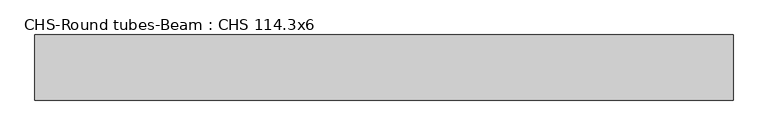
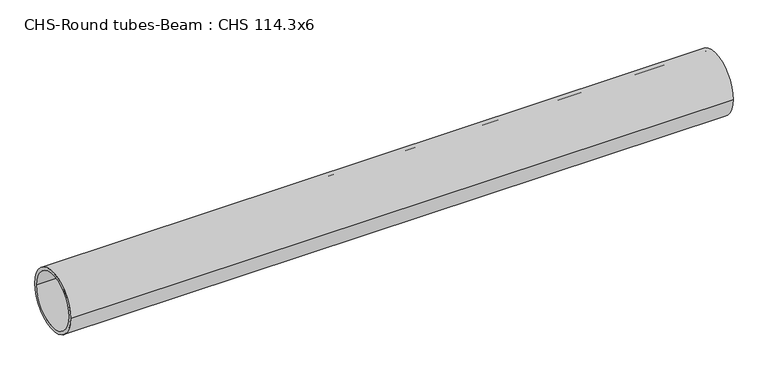
"""IFC4 building model written with IfcOpenShell, lengths in millimetres: beam geometry, CHS-Round tubes-Beam : CHS 114.3x6."""

from ifc_helpers import new_model, si_unit, point, frame, origin, origin_2d, place, context, project, spatial, circle_curve, trimmed, segment, composite_curve, outline, extrude, source, transform, mapped, element, save


def chs_round_tubes_beam_chs_114_3x6_2c5ce47b(model_context):
    return source(origin(), model_context, "Body", "SweptSolid", [
        extrude(outline(composite_curve([segment(trimmed(circle_curve(origin_2d(), 57.15), [point((57.15, 0.0))], [point((-57.15, 0.0))], False, "CARTESIAN"), True, "CONTINUOUS"), segment(trimmed(circle_curve(origin_2d(), 57.15), [point((-57.15, 0.0))], [point((57.15, 0.0))], False, "CARTESIAN"), True, "CONTINUOUS")], self_intersect=False), holes=[composite_curve([segment(trimmed(circle_curve(origin_2d(), 51.15), [point((51.15, 0.0))], [point((-51.15, 0.0))], True, "CARTESIAN"), True, "CONTINUOUS"), segment(trimmed(circle_curve(origin_2d(), 51.15), [point((-51.15, 0.0))], [point((51.15, 0.0))], True, "CARTESIAN"), True, "CONTINUOUS")], self_intersect=False)]), frame((-610.9730532, 0.0, 0.0), z_axis=(1.0, 0.0, 0.0), x_axis=(0.0, 1.0, 0.0)), (0.0, 0.0, 1.0), 1224.9824018),
    ])


if __name__ == "__main__":
    model = new_model("IFC4")
    model_context = context("Model", 3, world=origin())
    ifc_project = project(units=[si_unit("LENGTHUNIT", "METRE", prefix="MILLI")], contexts=[model_context])
    site = spatial("IfcSite", under=ifc_project)
    building = spatial("IfcBuilding", under=site)
    placement = place(None, origin())
    chs_round_tubes_beam_chs_114_3x6_shape = chs_round_tubes_beam_chs_114_3x6_2c5ce47b(model_context)
    element("IfcBeam", 1, ObjectType="CHS-Round tubes-Beam : CHS 114.3x6", at=placement, inside=building, context=model_context, shape_type="MappedRepresentation", body=[
        mapped(chs_round_tubes_beam_chs_114_3x6_shape, transform((0.0, 0.0, 0.0), x_axis=(1.0, 0.0, 0.0), y_axis=(0.0, 1.0, 0.0), z_axis=(0.0, 0.0, 1.0))),
    ])
    save(model, "model.ifc")
